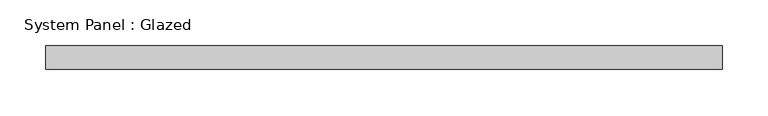
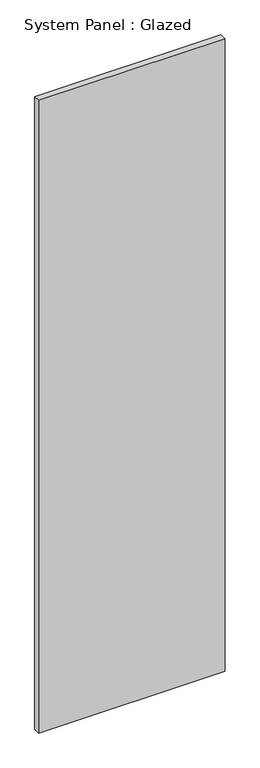
"""IFC4 building model written with IfcOpenShell, lengths in millimetres: plate geometry, System Panel : Glazed."""

from ifc_helpers import new_model, si_unit, origin, origin_with_axes, place, context, project, spatial, polyline, outline, extrude, source, transform, mapped, element, save


def system_panel_glazed_60981f83(model_context):
    return source(origin(), model_context, "Body", "SweptSolid", [
        extrude(outline(polyline([(368.3, 19.05), (-368.3, 19.05), (-368.3, 44.45), (368.3, 44.45), (368.3, 19.05)])), origin_with_axes(), (0.0, 0.0, 1.0), 2641.6),
    ])


if __name__ == "__main__":
    model = new_model("IFC4")
    model_context = context("Model", 3, world=origin())
    ifc_project = project(units=[si_unit("LENGTHUNIT", "METRE", prefix="MILLI")], contexts=[model_context])
    site = spatial("IfcSite", under=ifc_project)
    building = spatial("IfcBuilding", under=site)
    placement = place(None, origin())
    system_panel_glazed_shape = system_panel_glazed_60981f83(model_context)
    element("IfcPlate", 1, ObjectType="System Panel : Glazed", at=placement, inside=building, context=model_context, shape_type="MappedRepresentation", body=[
        mapped(system_panel_glazed_shape, transform((0.0, 0.0, 0.0), x_axis=(1.0, 0.0, 0.0), y_axis=(0.0, 1.0, 0.0), z_axis=(0.0, 0.0, 1.0))),
    ])
    save(model, "model.ifc")
